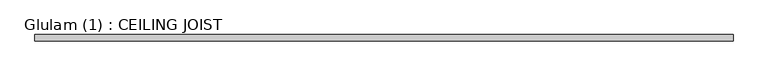
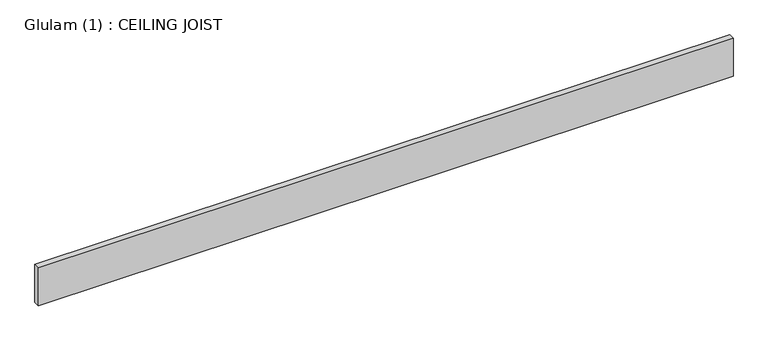
"""IFC4 building model written with IfcOpenShell, lengths in millimetres: beam geometry, Glulam (1) : CEILING JOIST."""

from ifc_helpers import new_model, si_unit, frame, origin, place, context, project, spatial, polyline, outline, extrude, source, transform, mapped, element, save


def glulam_1_ceiling_joist_22da2aab(model_context):
    return source(origin(), model_context, "Body", "SweptSolid", [
        extrude(outline(polyline([(4191.0, 22.5), (4191.0, -22.5), (-855.0, -22.5), (-855.0, 22.5), (4191.0, 22.5)])), frame((0.0, 0.0, -145.0), z_axis=(0.0, 0.0, 1.0), x_axis=(1.0, 0.0, 0.0)), (0.0, 0.0, 1.0), 290.0),
    ])


if __name__ == "__main__":
    model = new_model("IFC4")
    model_context = context("Model", 3, world=origin())
    ifc_project = project(units=[si_unit("LENGTHUNIT", "METRE", prefix="MILLI")], contexts=[model_context])
    site = spatial("IfcSite", under=ifc_project)
    building = spatial("IfcBuilding", under=site)
    placement = place(None, origin())
    glulam_1_ceiling_joist_shape = glulam_1_ceiling_joist_22da2aab(model_context)
    element("IfcBeam", 1, ObjectType="Glulam (1) : CEILING JOIST", at=placement, inside=building, context=model_context, shape_type="MappedRepresentation", body=[
        mapped(glulam_1_ceiling_joist_shape, transform((0.0, 0.0, 0.0), x_axis=(1.0, 0.0, 0.0), y_axis=(0.0, 1.0, 0.0), z_axis=(0.0, 0.0, 1.0))),
    ])
    save(model, "model.ifc")
